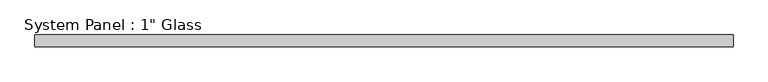
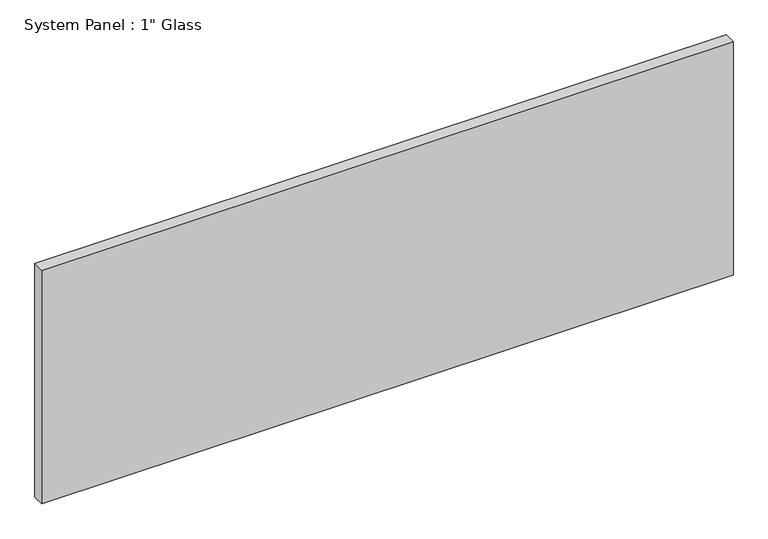
"""IFC4 building model written with IfcOpenShell, lengths in millimetres: plate geometry."""

from ifc_helpers import new_model, si_unit, origin, origin_with_axes, place, context, project, spatial, polyline, outline, extrude, source, transform, mapped, element, save


def plate_b5ebd002(model_context):
    return source(origin(), model_context, "Body", "SweptSolid", [
        extrude(outline(polyline([(759.2591185, -12.7), (-759.2591185, -12.7), (-759.2591185, 12.7), (759.2591185, 12.7), (759.2591185, -12.7)])), origin_with_axes(), (0.0, 0.0, 1.0), 542.925),
    ])


if __name__ == "__main__":
    model = new_model("IFC4")
    model_context = context("Model", 3, world=origin())
    ifc_project = project(units=[si_unit("LENGTHUNIT", "METRE", prefix="MILLI")], contexts=[model_context])
    site = spatial("IfcSite", under=ifc_project)
    building = spatial("IfcBuilding", under=site)
    placement = place(None, origin())
    plate_shape = plate_b5ebd002(model_context)
    element("IfcPlate", 1, ObjectType="System Panel : 1\" Glass", at=placement, inside=building, context=model_context, shape_type="MappedRepresentation", body=[
        mapped(plate_shape, transform((0.0, 0.0, 0.0), x_axis=(1.0, 0.0, 0.0), y_axis=(0.0, 1.0, 0.0), z_axis=(0.0, 0.0, 1.0))),
    ])
    save(model, "model.ifc")
